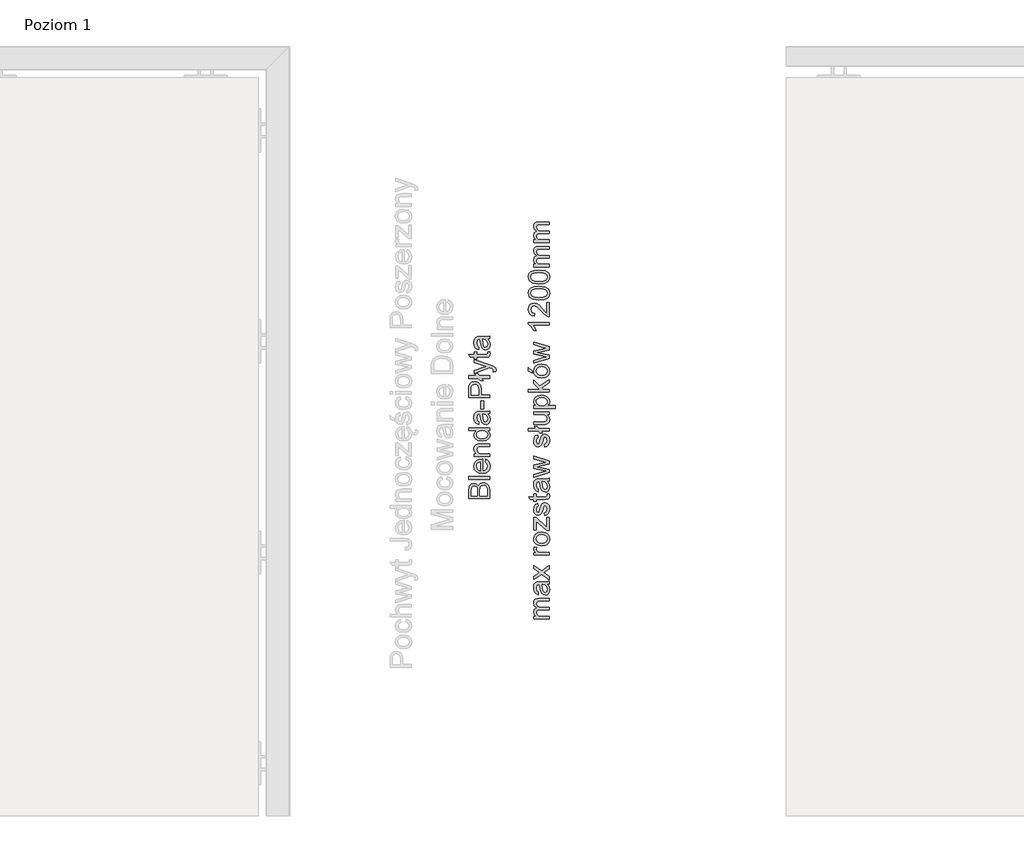
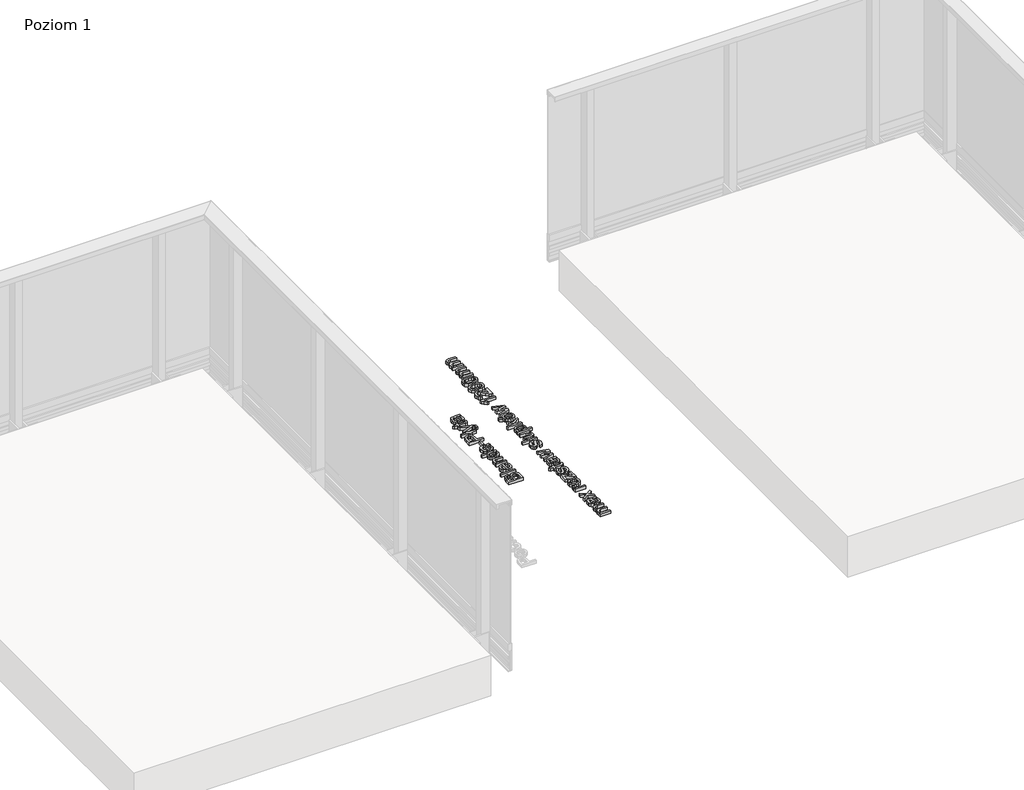
# One storey, part 15 of 35: 2 proxies.
"""IFC4 building model written with IfcOpenShell, lengths in millimetres."""

from ifc_helpers import new_model, si_unit, origin, origin_with_axes, place, context, project, spatial, polyline, outline, extrude, element, save

model = new_model("IFC4")

# Units and contexts
model_context = context("Model", 3, world=origin())
ifc_project = project(units=[si_unit("LENGTHUNIT", "METRE", prefix="MILLI")], contexts=[model_context])

# Site, building, storey
site = spatial("IfcSite", under=ifc_project)
building = spatial("IfcBuilding", under=site)
storey = spatial("IfcBuildingStorey", under=building, Name="Poziom 1", Elevation=0.0)

# Proxies
placement = place(None, origin())
element("IfcBuildingElementProxy", 1, Name="Generic Models", at=placement, inside=storey, context=model_context, shape_type="SweptSolid", body=[
    extrude(outline(polyline([(5487.3598268, -8124.2917723), (5386.9035167, -8124.2917723), (5386.9035167, -8085.9584684), (5389.8588354, -8067.184224), (5398.9455207, -8056.0987132), (5411.796865, -8052.0887994), (5423.5323007, -8055.461051), (5432.4227822, -8065.6513823), (5441.7915104, -8053.2782845), (5457.4142324, -8048.9495397), (5470.9155017, -8051.9048584), (5480.5294845, -8059.2257101), (5485.6307815, -8070.1518054), (5487.3598268, -8086.252774), (5487.3598268, -8124.2917723)]), holes=[polyline([(5427.7138927, -8111.7347336), (5427.7138927, -8088.8034225), (5426.6347722, -8075.4125179), (5421.9871963, -8067.3559022), (5413.8079533, -8064.6458382), (5405.6164475, -8067.1719612), (5400.7726679, -8074.4069738), (5399.4605555, -8090.5447307), (5399.4605555, -8111.7347336), (5427.7138927, -8111.7347336)]), polyline([(5474.8027881, -8111.7347336), (5474.8027881, -8085.9829939), (5474.3122788, -8076.6633167), (5471.5776893, -8068.7783793), (5465.9981457, -8063.5544549), (5457.5368598, -8061.5065785), (5447.7757242, -8063.9100742), (5441.9509259, -8071.6969098), (5440.2709315, -8087.2092672), (5440.2709315, -8111.7347336), (5474.8027881, -8111.7347336)])]), origin_with_axes(), (0.0, 0.0, 1.0), 20.0),
    extrude(outline(polyline([(5487.3598268, -8033.2532413), (5386.9035167, -8033.2532413), (5386.9035167, -8020.6962025), (5487.3598268, -8020.6962025), (5487.3598268, -8033.2532413)])), origin_with_axes(), (0.0, 0.0, 1.0), 20.0),
    extrude(outline(polyline([(5465.385009, -7950.2100122), (5466.9546388, -7937.8982281), (5476.2313965, -7942.3342718), (5483.1659721, -7949.4129346), (5487.4885855, -7958.9748008), (5488.9294567, -7970.8604549), (5486.4431875, -7985.5941288), (5478.9843801, -7996.9310256), (5467.0374123, -8004.1599068), (5451.0866621, -8006.5695339), (5434.5994174, -8004.1353814), (5422.2692392, -7996.8329237), (5414.5805055, -7985.6493111), (5412.0175942, -7971.5716934), (5414.5743741, -7957.9324684), (5422.2447137, -7947.0339643), (5434.5503664, -7939.8878566), (5451.0130857, -7937.5058207), (5454.3976001, -7937.5793971), (5454.3976001, -7994.0124951), (5463.7969851, -7991.8389257), (5470.7070352, -7986.7897453), (5474.9560722, -7979.5026161), (5476.3724179, -7970.6152002), (5473.748193, -7958.3034161), (5465.385009, -7950.2100122)]), holes=[polyline([(5441.8405613, -7994.0124951), (5441.8405613, -7950.0628594), (5430.4607449, -7955.09058), (5426.046161, -7962.4114317), (5424.574633, -7971.6207443), (5429.2712598, -7987.0840509), (5434.7618986, -7991.9492903), (5441.8405613, -7994.0124951)])]), origin_with_axes(), (0.0, 0.0, 1.0), 20.0),
    extrude(outline(polyline([(5487.3598268, -7924.9487819), (5413.5872241, -7924.9487819), (5413.5872241, -7912.3917431), (5423.8879199, -7912.3917431), (5414.9851757, -7902.790023), (5412.0175942, -7889.6811613), (5414.4088272, -7877.8230983), (5420.6873466, -7869.7296944), (5429.9211847, -7865.9650353), (5442.0612905, -7865.3028477), (5487.3598268, -7865.3028477), (5487.3598268, -7877.8598865), (5443.7535477, -7877.8598865), (5432.6435114, -7879.306889), (5426.7696622, -7884.4204488), (5424.574633, -7893.0411502), (5429.5042517, -7906.6650467), (5436.6472938, -7910.960069), (5448.2171826, -7912.3917431), (5487.3598268, -7912.3917431), (5487.3598268, -7924.9487819)])), origin_with_axes(), (0.0, 0.0, 1.0), 20.0),
    extrude(outline(polyline([(5487.3598268, -7802.5176539), (5475.5140266, -7802.5176539), (5485.5755992, -7810.8256556), (5488.9294567, -7822.3097052), (5484.0734144, -7837.8588509), (5470.5230942, -7848.8462598), (5450.5471019, -7852.745809), (5430.5588468, -7849.1528282), (5416.8000602, -7838.3861484), (5412.0175942, -7822.3587562), (5415.4388968, -7810.7827361), (5424.3293783, -7802.5176539), (5386.9035167, -7802.5176539), (5386.9035167, -7789.9606151), (5487.3598268, -7789.9606151), (5487.3598268, -7802.5176539)]), holes=[polyline([(5450.4980509, -7840.1887702), (5461.8564075, -7838.7724245), (5469.934483, -7834.5233875), (5474.7629342, -7828.3491013), (5476.3724179, -7821.1570083), (5474.8365106, -7813.967981), (5470.2287886, -7807.9500447), (5462.4634128, -7803.8757516), (5451.4545441, -7802.5176539), (5439.4186715, -7803.9002771), (5431.0738816, -7808.0481466), (5426.1994452, -7814.219367), (5424.574633, -7821.6720431), (5426.1350658, -7828.9377125), (5430.8163642, -7834.8912695), (5438.8576515, -7838.864395), (5450.4980509, -7840.1887702)])]), origin_with_axes(), (0.0, 0.0, 1.0), 20.0),
    extrude(outline(polyline([(5477.9420478, -7724.0361616), (5486.4523846, -7736.2130556), (5488.9294567, -7749.6652739), (5487.4395346, -7760.1591078), (5482.9697684, -7767.8999581), (5476.1823456, -7772.673227), (5467.7394538, -7774.2643167), (5457.8066399, -7771.860821), (5450.5961528, -7765.5455134), (5446.4758745, -7756.7531337), (5444.5874135, -7745.8883521), (5440.2709315, -7724.109738), (5437.4750283, -7724.0361616), (5428.204402, -7727.4942523), (5424.574633, -7741.3756663), (5426.9903914, -7754.0798579), (5435.5620419, -7760.1376481), (5433.9924121, -7772.6946868), (5421.7296789, -7767.262296), (5414.5437173, -7756.323938), (5412.0175942, -7739.7569855), (5414.2494117, -7724.5389337), (5419.8534807, -7715.9427577), (5428.3760803, -7712.0922595), (5439.3634892, -7711.4791228), (5454.9862113, -7711.4791228), (5476.8016136, -7710.8414607), (5487.3598268, -7708.3398631), (5487.3598268, -7720.8969019), (5477.9420478, -7724.0361616)]), holes=[polyline([(5452.8279702, -7724.0361616), (5456.6784685, -7744.2941968), (5458.7140822, -7755.0976647), (5462.0250201, -7759.9904953), (5466.856537, -7761.7072779), (5473.6500912, -7757.9671443), (5476.3724179, -7746.9919981), (5473.3680483, -7734.2878065), (5466.0962475, -7726.0963008), (5456.3841629, -7724.109738), (5452.8279702, -7724.0361616)])]), origin_with_axes(), (0.0, 0.0, 1.0), 20.0),
    extrude(outline(polyline([(5457.5368598, -7700.4917139), (5444.979821, -7700.4917139), (5444.979821, -7661.2509677), (5457.5368598, -7661.2509677), (5457.5368598, -7700.4917139)])), origin_with_axes(), (0.0, 0.0, 1.0), 20.0),
    extrude(outline(polyline([(5487.3598268, -7645.5546693), (5386.9035167, -7645.5546693), (5386.9035167, -7608.3250114), (5387.8600099, -7593.315426), (5392.5566367, -7581.1140065), (5402.2687214, -7573.2045436), (5415.9661943, -7570.2124367), (5427.8058632, -7572.232722), (5437.671232, -7578.2935778), (5444.3298961, -7589.627409), (5446.5494509, -7607.4666201), (5446.5494509, -7632.9976305), (5487.3598268, -7632.9976305), (5487.3598268, -7645.5546693)]), holes=[polyline([(5433.9924121, -7632.9976305), (5433.9924121, -7606.7308561), (5429.3816244, -7588.2386544), (5423.8327376, -7584.1367702), (5416.4076527, -7582.7694754), (5406.008855, -7585.9945743), (5400.3189468, -7594.4681229), (5399.4605555, -7607.0251617), (5399.4605555, -7632.9976305), (5433.9924121, -7632.9976305)])]), origin_with_axes(), (0.0, 0.0, 1.0), 20.0),
    extrude(outline(polyline([(5447.6530968, -7554.5161382), (5455.182415, -7563.9339173), (5441.0557464, -7563.9339173), (5433.5264282, -7554.5161382), (5386.9035167, -7554.5161382), (5386.9035167, -7541.9590994), (5423.470987, -7541.9590994), (5415.9416689, -7532.5413204), (5430.0683375, -7532.5413204), (5437.5976556, -7541.9590994), (5487.3598268, -7541.9590994), (5487.3598268, -7554.5161382), (5447.6530968, -7554.5161382)])), origin_with_axes(), (0.0, 0.0, 1.0), 20.0),
    extrude(outline(polyline([(5515.6131641, -7523.1235413), (5503.5221092, -7524.6931711), (5504.6257552, -7518.3165499), (5503.2400663, -7512.3568616), (5499.3773054, -7508.7025671), (5490.1312045, -7505.2690018), (5487.0900467, -7504.2879831), (5413.5872241, -7530.9716905), (5413.5872241, -7517.7279387), (5454.5447529, -7503.5767446), (5470.9277644, -7498.6471259), (5456.4577393, -7493.7175071), (5413.5872241, -7479.1739056), (5413.5872241, -7466.0282556), (5489.1256604, -7491.7064189), (5505.5086719, -7498.3773457), (5514.3623653, -7505.6614093), (5517.1827939, -7515.4470703), (5515.6131641, -7523.1235413)])), origin_with_axes(), (0.0, 0.0, 1.0), 20.0),
    extrude(outline(polyline([(5476.8874527, -7428.9457505), (5487.7277088, -7427.3761207), (5488.9294567, -7436.7693743), (5486.8447921, -7447.2907994), (5481.3756131, -7452.5392492), (5467.1263171, -7454.0598281), (5426.1442629, -7454.0598281), (5426.1442629, -7463.4776071), (5413.5872241, -7463.4776071), (5413.5872241, -7454.0598281), (5395.6591082, -7454.0598281), (5388.2769428, -7441.5027893), (5413.5872241, -7441.5027893), (5413.5872241, -7428.9457505), (5426.1442629, -7428.9457505), (5426.1442629, -7441.5027893), (5466.7584351, -7441.5027893), (5473.2331582, -7440.8406017), (5475.5262893, -7438.6946234), (5476.3724179, -7434.4149295), (5476.8874527, -7428.9457505)])), origin_with_axes(), (0.0, 0.0, 1.0), 20.0),
    extrude(outline(polyline([(5477.9420478, -7369.2998164), (5486.4523846, -7381.4767104), (5488.9294567, -7394.9289287), (5487.4395346, -7405.4227626), (5482.9697684, -7413.1636129), (5476.1823456, -7417.9368818), (5467.7394538, -7419.5279715), (5457.8066399, -7417.1244757), (5450.5961528, -7410.8091682), (5446.4758745, -7402.0167885), (5444.5874135, -7391.1520069), (5440.2709315, -7369.3733928), (5437.4750283, -7369.2998164), (5428.204402, -7372.7579071), (5424.574633, -7386.6393211), (5426.9903914, -7399.3435126), (5435.5620419, -7405.4013028), (5433.9924121, -7417.9583416), (5421.7296789, -7412.5259508), (5414.5437173, -7401.5875928), (5412.0175942, -7385.0206403), (5414.2494117, -7369.8025884), (5419.8534807, -7361.2064125), (5428.3760803, -7357.3559143), (5439.3634892, -7356.7427776), (5454.9862113, -7356.7427776), (5476.8016136, -7356.1051155), (5487.3598268, -7353.6035179), (5487.3598268, -7366.1605567), (5477.9420478, -7369.2998164)]), holes=[polyline([(5452.8279702, -7369.2998164), (5456.6784685, -7389.5578516), (5458.7140822, -7400.3613195), (5462.0250201, -7405.25415), (5466.856537, -7406.9709327), (5473.6500912, -7403.2307991), (5476.3724179, -7392.2556529), (5473.3680483, -7379.5514613), (5466.0962475, -7371.3599555), (5456.3841629, -7369.3733928), (5452.8279702, -7369.2998164)])]), origin_with_axes(), (0.0, 0.0, 1.0), 20.0),
])
element("IfcBuildingElementProxy", 2, Name="Generic Models", at=placement, inside=storey, context=model_context, shape_type="SweptSolid", body=[
    extrude(outline(polyline([(5769.7173752, -8695.0976583), (5695.9447724, -8695.0976583), (5695.9447724, -8682.5406196), (5708.0848783, -8682.5406196), (5698.1398017, -8673.9076554), (5694.3751426, -8661.6203968), (5698.2133781, -8649.0388325), (5708.9677951, -8642.122651), (5698.0233057, -8632.3247272), (5694.3751426, -8619.9516294), (5695.8926558, -8610.5123906), (5700.4451955, -8603.5318297), (5708.155389, -8599.2184133), (5719.1458636, -8597.7806079), (5769.7173752, -8597.7806079), (5769.7173752, -8610.3376466), (5724.5414662, -8610.3376466), (5714.0568293, -8611.5026063), (5708.8942187, -8615.7209865), (5706.9321813, -8622.8946854), (5711.959902, -8635.2432577), (5718.5020701, -8638.9312747), (5728.0731333, -8640.1606137), (5769.7173752, -8640.1606137), (5769.7173752, -8652.7176525), (5723.1435146, -8652.7176525), (5710.9788833, -8655.6239202), (5706.9321813, -8665.1520639), (5709.6299826, -8674.4472157), (5717.5271828, -8680.6276332), (5732.5122427, -8682.5406196), (5769.7173752, -8682.5406196), (5769.7173752, -8695.0976583)])), origin_with_axes(), (0.0, 0.0, 1.0), 20.0),
    extrude(outline(polyline([(5760.2995961, -8531.8561543), (5768.8099329, -8544.0330484), (5771.287005, -8557.4852667), (5769.797083, -8567.9791006), (5765.3273167, -8575.7199509), (5758.5398939, -8580.4932198), (5750.0970021, -8582.0843094), (5740.1641882, -8579.6808137), (5732.9537011, -8573.3655061), (5728.8334228, -8564.5731264), (5726.9449619, -8553.7083448), (5722.6284798, -8531.9297307), (5719.8325766, -8531.8561543), (5710.5619504, -8535.3142451), (5706.9321813, -8549.195659), (5709.3479398, -8561.8998506), (5717.9195903, -8567.9576408), (5716.3499604, -8580.5146796), (5704.0872273, -8575.0822888), (5696.9012656, -8564.1439308), (5694.3751426, -8547.5769783), (5696.60696, -8532.3589264), (5702.2110291, -8523.7627504), (5710.7336286, -8519.9122522), (5721.7210376, -8519.2991156), (5737.3437596, -8519.2991156), (5759.1591619, -8518.6614534), (5769.7173752, -8516.1598559), (5769.7173752, -8528.7168946), (5760.2995961, -8531.8561543)]), holes=[polyline([(5735.1855186, -8531.8561543), (5739.0360168, -8552.1141895), (5741.0716305, -8562.9176575), (5744.3825685, -8567.810488), (5749.2140853, -8569.5272706), (5756.0076395, -8565.787137), (5758.7299663, -8554.8119908), (5755.7255966, -8542.1077993), (5748.4537959, -8533.9162935), (5738.7417112, -8531.9297307), (5735.1855186, -8531.8561543)])]), origin_with_axes(), (0.0, 0.0, 1.0), 20.0),
    extrude(outline(polyline([(5769.7173752, -8509.8813365), (5732.6348701, -8483.0504763), (5695.9447724, -8508.3117066), (5695.9447724, -8493.2040194), (5713.6031082, -8481.0148626), (5721.9417668, -8475.3249544), (5715.1236871, -8470.3953357), (5695.9447724, -8456.5139217), (5695.9447724, -8441.4062344), (5732.6348701, -8467.942789), (5769.7173752, -8442.3872531), (5769.7173752, -8457.4949404), (5747.4237263, -8472.8724078), (5743.3524989, -8475.6928364), (5769.7173752, -8494.7736492), (5769.7173752, -8509.8813365)])), origin_with_axes(), (0.0, 0.0, 1.0), 20.0),
    extrude(outline(polyline([(5769.7173752, -8392.159098), (5695.9447724, -8392.159098), (5695.9447724, -8381.1716891), (5706.858605, -8381.1716891), (5696.8031637, -8373.3725908), (5694.3751426, -8365.5244416), (5698.2501663, -8352.9183519), (5709.5073553, -8357.1122066), (5706.9321813, -8365.9413745), (5709.4092535, -8373.041497), (5716.276384, -8377.5664456), (5730.9426129, -8379.6020593), (5769.7173752, -8379.6020593), (5769.7173752, -8392.159098)])), origin_with_axes(), (0.0, 0.0, 1.0), 20.0),
    extrude(outline(polyline([(5732.8310738, -8348.2094623), (5715.0439793, -8345.4932669), (5702.5421229, -8337.3446807), (5696.4168877, -8327.2769768), (5694.3751426, -8315.2227101), (5696.8614117, -8302.0310749), (5704.3202192, -8291.4943214), (5716.1629537, -8284.587337), (5731.8010042, -8282.2850088), (5754.1437041, -8286.3562362), (5766.786582, -8298.2142992), (5771.287005, -8315.2227101), (5768.8099329, -8328.5737608), (5761.3787166, -8339.0982516), (5749.2876617, -8345.9316596), (5732.8310738, -8348.2094623)]), holes=[polyline([(5732.8065483, -8335.6524236), (5744.1710363, -8334.1992897), (5752.2675059, -8329.839888), (5757.1143512, -8323.2793258), (5758.7299663, -8315.2227101), (5757.1051541, -8307.2028826), (5752.2307177, -8300.6545831), (5744.0269492, -8296.2951815), (5732.4141409, -8294.8420476), (5721.3807467, -8296.3043785), (5713.3946417, -8300.6913713), (5708.5477964, -8307.2488679), (5706.9321813, -8315.2227101), (5708.5416651, -8323.2793258), (5713.3701163, -8329.839888), (5721.4481917, -8334.1992897), (5732.8065483, -8335.6524236)])]), origin_with_axes(), (0.0, 0.0, 1.0), 20.0),
    extrude(outline(polyline([(5769.7173752, -8276.0064894), (5757.8961004, -8276.0064894), (5708.5018112, -8232.6699904), (5708.5018112, -8245.4968093), (5708.5018112, -8272.8672297), (5695.9447724, -8272.8672297), (5695.9447724, -8214.7909254), (5706.6133503, -8214.7909254), (5750.4403586, -8253.2223312), (5757.1603364, -8259.1084431), (5757.1603364, -8244.589367), (5757.1603364, -8213.2212956), (5769.7173752, -8213.2212956), (5769.7173752, -8276.0064894)])), origin_with_axes(), (0.0, 0.0, 1.0), 20.0),
    extrude(outline(polyline([(5747.7425573, -8205.3731463), (5746.1729275, -8192.8161076), (5755.4926047, -8187.003572), (5758.7299663, -8173.6862438), (5755.7623848, -8160.8839504), (5748.7971524, -8156.7146211), (5743.1562951, -8160.9084759), (5739.5755771, -8173.8333966), (5733.4319477, -8192.7425312), (5726.2582488, -8200.9953506), (5716.1292312, -8203.8035165), (5706.7727658, -8201.5471736), (5699.6235924, -8195.3912815), (5695.9079842, -8187.4082422), (5694.3751426, -8176.6047743), (5696.8399519, -8161.3254088), (5703.5108788, -8151.6133241), (5714.7803306, -8147.296842), (5716.3499604, -8159.8538808), (5709.4215162, -8164.5750331), (5706.9321813, -8175.6237557), (5709.3111516, -8187.6412342), (5714.853907, -8191.2464777), (5718.5082015, -8189.7504243), (5721.2795792, -8185.0660602), (5723.952855, -8174.2503296), (5729.8634924, -8155.8194416), (5736.5589447, -8147.2600538), (5747.4727772, -8144.1575823), (5759.4902557, -8147.7996141), (5768.209059, -8158.3087764), (5771.287005, -8173.8579221), (5769.8032143, -8186.5191941), (5765.3518422, -8195.7591635), (5757.9819395, -8201.9273183), (5747.7425573, -8205.3731463)])), origin_with_axes(), (0.0, 0.0, 1.0), 20.0),
    extrude(outline(polyline([(5759.2450011, -8103.3472063), (5770.0852572, -8101.7775765), (5771.287005, -8111.1708301), (5769.2023404, -8121.6922552), (5763.7331614, -8126.940705), (5749.4838655, -8128.4612839), (5708.5018112, -8128.4612839), (5708.5018112, -8137.879063), (5695.9447724, -8137.879063), (5695.9447724, -8128.4612839), (5678.0166565, -8128.4612839), (5670.6344912, -8115.9042451), (5695.9447724, -8115.9042451), (5695.9447724, -8103.3472063), (5708.5018112, -8103.3472063), (5708.5018112, -8115.9042451), (5749.1159835, -8115.9042451), (5755.5907066, -8115.2420575), (5757.8838377, -8113.0960792), (5758.7299663, -8108.8163853), (5759.2450011, -8103.3472063)])), origin_with_axes(), (0.0, 0.0, 1.0), 20.0),
    extrude(outline(polyline([(5760.2995961, -8043.7012722), (5768.8099329, -8055.8781662), (5771.287005, -8069.3303845), (5769.797083, -8079.8242184), (5765.3273167, -8087.5650688), (5758.5398939, -8092.3383376), (5750.0970021, -8093.9294273), (5740.1641882, -8091.5259316), (5732.9537011, -8085.210624), (5728.8334228, -8076.4182443), (5726.9449619, -8065.5534627), (5722.6284798, -8043.7748486), (5719.8325766, -8043.7012722), (5710.5619504, -8047.1593629), (5706.9321813, -8061.0407769), (5709.3479398, -8073.7449685), (5717.9195903, -8079.8027587), (5716.3499604, -8092.3597974), (5704.0872273, -8086.9274066), (5696.9012656, -8075.9890486), (5694.3751426, -8059.4220961), (5696.60696, -8044.2040443), (5702.2110291, -8035.6078683), (5710.7336286, -8031.7573701), (5721.7210376, -8031.1442334), (5737.3437596, -8031.1442334), (5759.1591619, -8030.5065713), (5769.7173752, -8028.0049737), (5769.7173752, -8040.5620125), (5760.2995961, -8043.7012722)]), holes=[polyline([(5735.1855186, -8043.7012722), (5739.0360168, -8063.9593074), (5741.0716305, -8074.7627753), (5744.3825685, -8079.6556059), (5749.2140853, -8081.3723885), (5756.0076395, -8077.6322549), (5758.7299663, -8066.6571087), (5755.7255966, -8053.9529171), (5748.4537959, -8045.7614114), (5738.7417112, -8043.7748486), (5735.1855186, -8043.7012722)])]), origin_with_axes(), (0.0, 0.0, 1.0), 20.0),
    extrude(outline(polyline([(5769.7173752, -8001.6400974), (5695.9447724, -8024.0808991), (5695.9447724, -8011.033351), (5738.9869659, -7998.304634), (5754.3644333, -7994.5031867), (5739.5510516, -7991.3884525), (5695.9447724, -7981.2594349), (5695.9447724, -7966.2989004), (5739.4284243, -7956.2189337), (5752.8438543, -7953.447556), (5738.6926603, -7949.4744305), (5695.9447724, -7936.721188), (5695.9447724, -7923.624589), (5769.7173752, -7946.2370689), (5769.7173752, -7961.4183326), (5726.4544526, -7971.0568409), (5712.9654461, -7973.852744), (5769.7173752, -7986.2871555), (5769.7173752, -8001.6400974)])), origin_with_axes(), (0.0, 0.0, 1.0), 20.0),
    extrude(outline(polyline([(5747.7425573, -7880.4597682), (5746.1729275, -7867.9027294), (5755.4926047, -7862.0901939), (5758.7299663, -7848.7728657), (5755.7623848, -7835.9705723), (5748.7971524, -7831.801243), (5743.1562951, -7835.9950977), (5739.5755771, -7848.9200185), (5733.4319477, -7867.829153), (5726.2582488, -7876.0819725), (5716.1292312, -7878.8901384), (5706.7727658, -7876.6337955), (5699.6235924, -7870.4779034), (5695.9079842, -7862.4948641), (5694.3751426, -7851.6913962), (5696.8399519, -7836.4120306), (5703.5108788, -7826.699946), (5714.7803306, -7822.3834639), (5716.3499604, -7834.9405027), (5709.4215162, -7839.6616549), (5706.9321813, -7850.7103775), (5709.3111516, -7862.727856), (5714.853907, -7866.3330996), (5718.5082015, -7864.8370461), (5721.2795792, -7860.1526821), (5723.952855, -7849.3369514), (5729.8634924, -7830.9060635), (5736.5589447, -7822.3466757), (5747.4727772, -7819.2442042), (5759.4902557, -7822.886236), (5768.209059, -7833.3953983), (5771.287005, -7848.9445439), (5769.8032143, -7861.6058159), (5765.3518422, -7870.8457854), (5757.9819395, -7877.0139402), (5747.7425573, -7880.4597682)])), origin_with_axes(), (0.0, 0.0, 1.0), 20.0),
    extrude(outline(polyline([(5730.0106452, -7805.1175356), (5737.5399633, -7814.5353147), (5723.4132947, -7814.5353147), (5715.8839766, -7805.1175356), (5669.261065, -7805.1175356), (5669.261065, -7792.5604968), (5705.8285354, -7792.5604968), (5698.2992172, -7783.1427177), (5712.4258858, -7783.1427177), (5719.955204, -7792.5604968), (5769.7173752, -7792.5604968), (5769.7173752, -7805.1175356), (5730.0106452, -7805.1175356)])), origin_with_axes(), (0.0, 0.0, 1.0), 20.0),
    extrude(outline(polyline([(5769.7173752, -7726.6360433), (5757.0377091, -7726.6360433), (5767.7246811, -7736.4707553), (5771.287005, -7749.2975742), (5768.7854075, -7761.1065862), (5762.5068881, -7769.2490411), (5753.2607873, -7772.9891747), (5741.5866653, -7773.7249387), (5695.9447724, -7773.7249387), (5695.9447724, -7761.1678999), (5735.6760279, -7761.1678999), (5748.4783213, -7760.4076104), (5755.9953768, -7755.4412035), (5758.7299663, -7746.0847381), (5755.9340631, -7735.6001012), (5748.3189058, -7728.671657), (5734.3271273, -7726.6360433), (5695.9447724, -7726.6360433), (5695.9447724, -7714.0790045), (5769.7173752, -7714.0790045), (5769.7173752, -7726.6360433)])), origin_with_axes(), (0.0, 0.0, 1.0), 20.0),
    extrude(outline(polyline([(5797.9707124, -7696.8130762), (5695.9447724, -7696.8130762), (5695.9447724, -7684.2560374), (5708.2565565, -7684.2560374), (5697.8454961, -7675.5740224), (5694.3751426, -7663.8508494), (5699.2311849, -7647.9338218), (5712.9163951, -7637.5350241), (5732.2669881, -7634.0278824), (5752.6108624, -7637.9887452), (5766.4677509, -7649.4911889), (5771.287005, -7665.3714284), (5768.0619062, -7676.2975236), (5759.9071887, -7684.2560374), (5797.9707124, -7684.2560374), (5797.9707124, -7696.8130762)]), holes=[polyline([(5733.419685, -7684.2560374), (5744.6768741, -7682.8979397), (5752.5495488, -7678.8236466), (5757.1848619, -7672.8118417), (5758.7299663, -7665.6412085), (5757.1296796, -7658.3540793), (5752.3288196, -7652.1889902), (5744.1679706, -7647.9859384), (5732.4877173, -7646.5849211), (5721.2918419, -7647.9522159), (5713.3088026, -7652.0541001), (5708.5263367, -7658.056708), (5706.9321813, -7665.1261737), (5708.6275042, -7672.2232305), (5713.7134728, -7678.4557647), (5722.0306716, -7682.8059692), (5733.419685, -7684.2560374)])]), origin_with_axes(), (0.0, 0.0, 1.0), 20.0),
    extrude(outline(polyline([(5769.7173752, -7619.9012138), (5669.261065, -7619.9012138), (5669.261065, -7607.344175), (5723.2416165, -7607.344175), (5695.9447724, -7579.1889396), (5695.9447724, -7561.8249094), (5723.584973, -7590.3235013), (5769.7173752, -7560.2552796), (5769.7173752, -7574.9215085), (5732.316039, -7599.3243475), (5740.0906118, -7607.344175), (5769.7173752, -7607.344175), (5769.7173752, -7619.9012138)])), origin_with_axes(), (0.0, 0.0, 1.0), 20.0),
    extrude(outline(polyline([(5732.8310738, -7552.4071304), (5715.0439793, -7549.690935), (5702.5421229, -7541.5423488), (5696.4168877, -7531.4746448), (5694.3751426, -7519.4203781), (5696.8614117, -7506.2287429), (5704.3202192, -7495.6919894), (5716.1629537, -7488.785005), (5731.8010042, -7486.4826768), (5754.1437041, -7490.5539042), (5766.786582, -7502.4119672), (5771.287005, -7519.4203781), (5768.8099329, -7532.7714289), (5761.3787166, -7543.2959196), (5749.2876617, -7550.1293277), (5732.8310738, -7552.4071304)]), holes=[polyline([(5732.8065483, -7539.8500916), (5744.1710363, -7538.3969577), (5752.2675059, -7534.0375561), (5757.1143512, -7527.4769938), (5758.7299663, -7519.4203781), (5757.1051541, -7511.4005506), (5752.2307177, -7504.8522511), (5744.0269492, -7500.4928495), (5732.4141409, -7499.0397156), (5721.3807467, -7500.5020465), (5713.3946417, -7504.8890393), (5708.5477964, -7511.4465359), (5706.9321813, -7519.4203781), (5708.5416651, -7527.4769938), (5713.3701163, -7534.0375561), (5721.4481917, -7538.3969577), (5732.8065483, -7539.8500916)])]), origin_with_axes(), (0.0, 0.0, 1.0), 20.0),
    extrude(outline(polyline([(5688.0966232, -7528.8626827), (5669.261065, -7519.4449036), (5669.261065, -7503.7486051), (5688.0966232, -7519.4449036), (5688.0966232, -7528.8626827)])), origin_with_axes(), (0.0, 0.0, 1.0), 20.0),
    extrude(outline(polyline([(5769.7173752, -7460.1178005), (5695.9447724, -7482.5586022), (5695.9447724, -7469.5110541), (5738.9869659, -7456.7823371), (5754.3644333, -7452.9808898), (5739.5510516, -7449.8661556), (5695.9447724, -7439.737138), (5695.9447724, -7424.7766035), (5739.4284243, -7414.6966368), (5752.8438543, -7411.9252591), (5738.6926603, -7407.9521336), (5695.9447724, -7395.1988911), (5695.9447724, -7382.1022921), (5769.7173752, -7404.714772), (5769.7173752, -7419.8960357), (5726.4544526, -7429.534544), (5712.9654461, -7432.3304471), (5769.7173752, -7444.7648586), (5769.7173752, -7460.1178005)])), origin_with_axes(), (0.0, 0.0, 1.0), 20.0),
    extrude(outline(polyline([(5769.7173752, -7290.2789461), (5769.7173752, -7302.8359848), (5691.4320866, -7302.8359848), (5699.9056352, -7314.730836), (5706.2454683, -7327.9500624), (5694.3751426, -7327.9500624), (5682.6274442, -7309.5436999), (5669.261065, -7298.37235), (5669.261065, -7290.2789461), (5769.7173752, -7290.2789461)])), origin_with_axes(), (0.0, 0.0, 1.0), 20.0),
    extrude(outline(polyline([(5757.1603364, -7196.1011553), (5769.7173752, -7196.1011553), (5769.7173752, -7262.0256088), (5761.0598856, -7260.6767082), (5747.7302946, -7253.0492882), (5733.1744303, -7237.3284642), (5712.2542075, -7215.647952), (5698.0294371, -7210.2278239), (5686.5147306, -7215.3413837), (5681.8181038, -7228.6955001), (5686.404366, -7242.6137022), (5699.0840321, -7247.8989402), (5697.5144023, -7260.455979), (5685.3681651, -7257.4117555), (5676.4960776, -7250.8297335), (5671.0698182, -7241.0532694), (5669.261065, -7228.42572), (5671.2721533, -7215.7062), (5677.305418, -7205.94813), (5686.3185269, -7199.7401214), (5697.2691476, -7197.6707852), (5709.1762615, -7199.9026026), (5721.4880456, -7207.3215562), (5738.6926603, -7225.3109857), (5750.7714524, -7239.7564854), (5757.1603364, -7245.4218681), (5757.1603364, -7196.1011553)])), origin_with_axes(), (0.0, 0.0, 1.0), 20.0),
    extrude(outline(polyline([(5720.2985605, -7183.5441165), (5691.3952984, -7179.8530339), (5674.730244, -7168.8901504), (5669.261065, -7150.5818898), (5672.4984266, -7135.9156609), (5681.8303665, -7125.7866433), (5696.6927992, -7119.9005314), (5720.2985605, -7117.619663), (5749.0791953, -7121.2739575), (5765.7810378, -7132.2000527), (5769.9105132, -7140.4314124), (5771.287005, -7150.5818898), (5768.8957721, -7163.6294379), (5761.7220732, -7173.5377263), (5744.7320564, -7181.042519), (5720.2985605, -7183.5441165)]), holes=[polyline([(5720.274035, -7170.9870778), (5740.0262325, -7169.5155498), (5751.4581655, -7165.1009658), (5756.9120161, -7158.5281409), (5758.7299663, -7150.5818898), (5756.9058847, -7142.6356387), (5751.43364, -7136.0628137), (5739.9955757, -7131.6482298), (5720.274035, -7130.1767018), (5700.9663617, -7131.5991788), (5689.4455238, -7135.86661), (5683.7249588, -7142.4271722), (5681.8181038, -7150.7290426), (5683.4980983, -7158.5894545), (5688.5380816, -7164.9047621), (5700.7762893, -7169.4664989), (5720.274035, -7170.9870778)])]), origin_with_axes(), (0.0, 0.0, 1.0), 20.0),
    extrude(outline(polyline([(5720.2985605, -7106.6322541), (5691.3952984, -7102.9411714), (5674.730244, -7091.9782879), (5669.261065, -7073.6700273), (5672.4984266, -7059.0037984), (5681.8303665, -7048.8747808), (5696.6927992, -7042.9886689), (5720.2985605, -7040.7078005), (5749.0791953, -7044.362095), (5765.7810378, -7055.2881903), (5769.9105132, -7063.5195499), (5771.287005, -7073.6700273), (5768.8957721, -7086.7175754), (5761.7220732, -7096.6258638), (5744.7320564, -7104.1306565), (5720.2985605, -7106.6322541)]), holes=[polyline([(5720.274035, -7094.0752153), (5740.0262325, -7092.6036873), (5751.4581655, -7088.1891034), (5756.9120161, -7081.6162784), (5758.7299663, -7073.6700273), (5756.9058847, -7065.7237762), (5751.43364, -7059.1509512), (5739.9955757, -7054.7363673), (5720.274035, -7053.2648393), (5700.9663617, -7054.6873164), (5689.4455238, -7058.9547475), (5683.7249588, -7065.5153098), (5681.8181038, -7073.8171801), (5683.4980983, -7081.6775921), (5688.5380816, -7087.9928997), (5700.7762893, -7092.5546364), (5720.274035, -7094.0752153)])]), origin_with_axes(), (0.0, 0.0, 1.0), 20.0),
    extrude(outline(polyline([(5769.7173752, -7026.5811319), (5695.9447724, -7026.5811319), (5695.9447724, -7014.0240932), (5708.0848783, -7014.0240932), (5698.1398017, -7005.391129), (5694.3751426, -6993.1038704), (5698.2133781, -6980.5223061), (5708.9677951, -6973.6061246), (5698.0233057, -6963.8082008), (5694.3751426, -6951.435103), (5695.8926558, -6941.9958642), (5700.4451955, -6935.0153033), (5708.155389, -6930.7018869), (5719.1458636, -6929.2640815), (5769.7173752, -6929.2640815), (5769.7173752, -6941.8211202), (5724.5414662, -6941.8211202), (5714.0568293, -6942.9860799), (5708.8942187, -6947.2044601), (5706.9321813, -6954.378159), (5711.959902, -6966.7267313), (5718.5020701, -6970.4147483), (5728.0731333, -6971.6440873), (5769.7173752, -6971.6440873), (5769.7173752, -6984.2011261), (5723.1435146, -6984.2011261), (5710.9788833, -6987.1073938), (5706.9321813, -6996.6355375), (5709.6299826, -7005.9306893), (5717.5271828, -7012.1111068), (5732.5122427, -7014.0240932), (5769.7173752, -7014.0240932), (5769.7173752, -7026.5811319)])), origin_with_axes(), (0.0, 0.0, 1.0), 20.0),
    extrude(outline(polyline([(5769.7173752, -6910.4285233), (5695.9447724, -6910.4285233), (5695.9447724, -6897.8714846), (5708.0848783, -6897.8714846), (5698.1398017, -6889.2385204), (5694.3751426, -6876.9512618), (5698.2133781, -6864.3696975), (5708.9677951, -6857.453516), (5698.0233057, -6847.6555922), (5694.3751426, -6835.2824944), (5695.8926558, -6825.8432556), (5700.4451955, -6818.8626947), (5708.155389, -6814.5492783), (5719.1458636, -6813.1114729), (5769.7173752, -6813.1114729), (5769.7173752, -6825.6685116), (5724.5414662, -6825.6685116), (5714.0568293, -6826.8334713), (5708.8942187, -6831.0518515), (5706.9321813, -6838.2255504), (5711.959902, -6850.5741227), (5718.5020701, -6854.2621397), (5728.0731333, -6855.4914787), (5769.7173752, -6855.4914787), (5769.7173752, -6868.0485175), (5723.1435146, -6868.0485175), (5710.9788833, -6870.9547852), (5706.9321813, -6880.4829289), (5709.6299826, -6889.7780807), (5717.5271828, -6895.9584982), (5732.5122427, -6897.8714846), (5769.7173752, -6897.8714846), (5769.7173752, -6910.4285233)])), origin_with_axes(), (0.0, 0.0, 1.0), 20.0),
])

save(model, "model.ifc")
